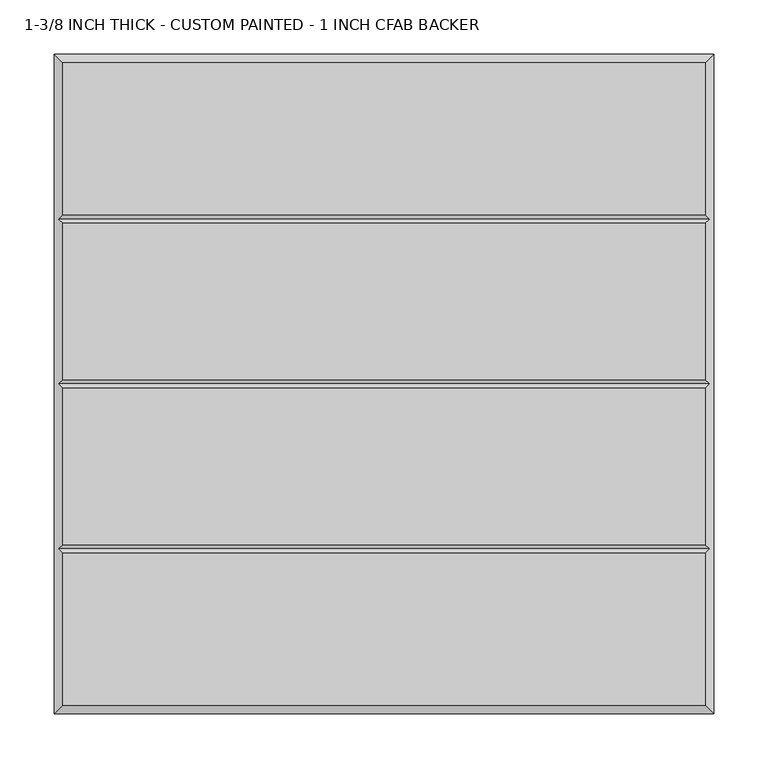
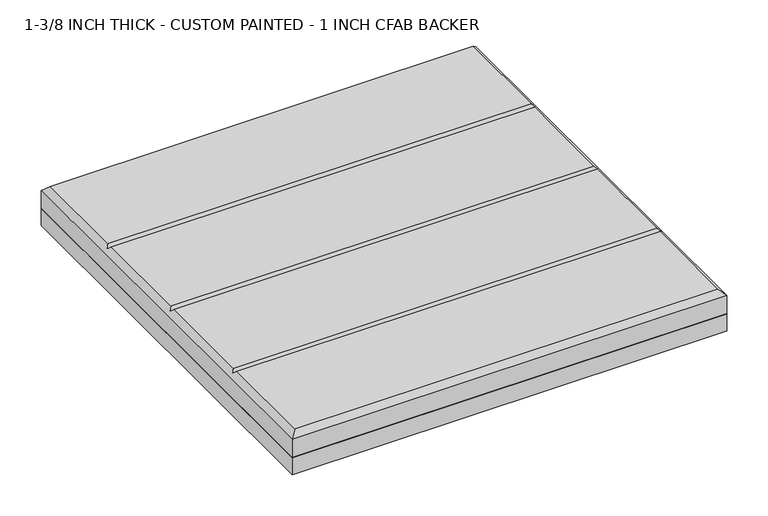
"""IFC4 building model written with IfcOpenShell, lengths in millimetres: proxy geometry, 1-3/8 INCH THICK - CUSTOM PAINTED - 1 INCH CFAB BACKER."""

from ifc_helpers import new_model, si_unit, frame, origin, place, context, project, spatial, polyline, outline, extrude, faceted_brep, source, transform, mapped, element, save


def proxy_1_3_8_inch_thick_custom_painted_1_inch_cfab_backer_50adb952(model_context):
    return source(origin(), model_context, "Body", "SolidModel", [
        extrude(outline(polyline([(-304.8, 304.8), (304.8, 304.8), (304.8, -304.8), (-304.8, -304.8), (-304.8, 304.8)])), frame((0.0, 0.0, -25.4), z_axis=(0.0, 0.0, 1.0), x_axis=(1.0, 0.0, 0.0)), (0.0, 0.0, 1.0), 25.4),
        faceted_brep([(296.799, 296.799, 34.925), (-296.799, 296.799, 34.925), (-296.799, 156.4005254, 34.925), (296.799, 156.4005254, 34.925), (-296.799, -296.799, 34.925), (296.799, -296.799, 34.925), (296.799, -156.4004746, 34.925), (-296.799, -156.4004746, 34.925), (296.799, 148.3995254, 34.925), (-296.799, 148.3995254, 34.925), (-296.799, 4.0005, 34.925), (296.799, 4.0005, 34.925), (296.799, -4.0005, 34.925), (-296.799, -4.0005, 34.925), (-296.799, -148.3994746, 34.925), (296.799, -148.3994746, 34.925), (-304.8, 304.8, 0.0), (304.8, 304.8, 0.0), (304.8, -304.8, 0.0), (-304.8, -304.8, 0.0), (-304.8, -304.8, 26.924), (-304.8, 304.8, 26.924), (304.8, -304.8, 26.924), (304.8, 304.8, 26.924), (-300.7995, -152.3999746, 30.9245), (-300.7995, 0.0, 30.9245), (-300.7995, 152.4000254, 30.9245), (300.7995, 152.4000254, 30.9245), (300.7995, 0.0, 30.9245), (300.7995, -152.3999746, 30.9245)], [[[0, 1, 2, 3]], [[4, 5, 6, 7]], [[8, 9, 10, 11]], [[12, 13, 14, 15]], [[16, 17, 18, 19]], [[16, 19, 20, 21]], [[19, 18, 22, 20]], [[18, 17, 23, 22]], [[17, 16, 21, 23]], [[21, 1, 0, 23]], [[1, 21, 20, 4, 7, 24, 14, 13, 25, 10, 9, 26, 2]], [[4, 20, 22, 5]], [[23, 0, 3, 27, 8, 11, 28, 12, 15, 29, 6, 5, 22]], [[27, 26, 9, 8]], [[26, 27, 3, 2]], [[28, 25, 13, 12]], [[25, 28, 11, 10]], [[29, 24, 7, 6]], [[24, 29, 15, 14]]]),
    ])


if __name__ == "__main__":
    model = new_model("IFC4")
    model_context = context("Model", 3, world=origin())
    ifc_project = project(units=[si_unit("LENGTHUNIT", "METRE", prefix="MILLI")], contexts=[model_context])
    site = spatial("IfcSite", under=ifc_project)
    building = spatial("IfcBuilding", under=site)
    placement = place(None, origin())
    proxy_1_3_8_inch_thick_custom_painted_1_inch_cfab_backer_shape = proxy_1_3_8_inch_thick_custom_painted_1_inch_cfab_backer_50adb952(model_context)
    element("IfcBuildingElementProxy", 1, Name="1-3/8 INCH THICK - CUSTOM PAINTED - 1 INCH CFAB BACKER", ObjectType="1-3/8 INCH THICK - CUSTOM PAINTED - 1 INCH CFAB BACKER", at=placement, inside=building, context=model_context, shape_type="MappedRepresentation", body=[
        mapped(proxy_1_3_8_inch_thick_custom_painted_1_inch_cfab_backer_shape, transform((0.0, 0.0, 0.0), x_axis=(1.0, 0.0, 0.0), y_axis=(0.0, 1.0, 0.0), z_axis=(0.0, 0.0, 1.0))),
    ])
    save(model, "model.ifc")
